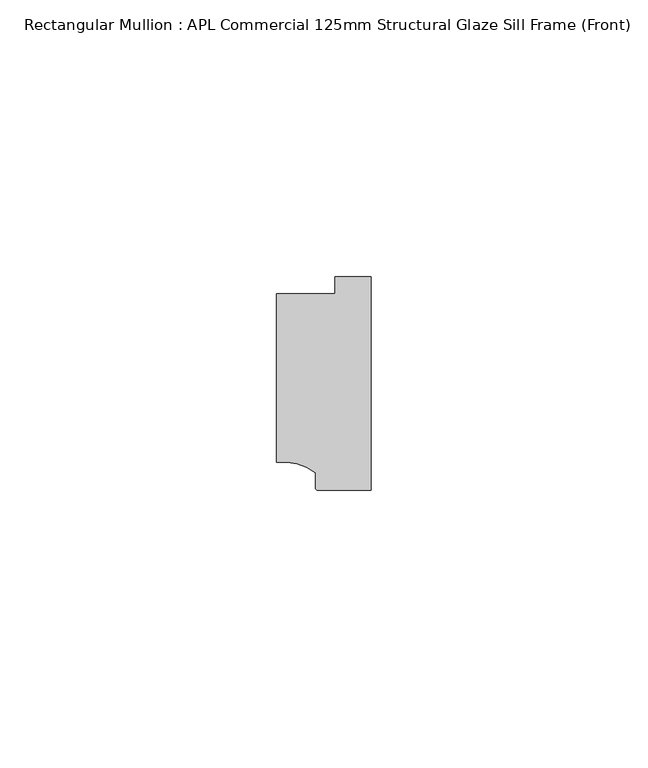
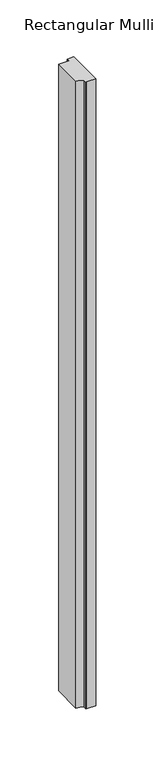
"""IFC4 building model written with IfcOpenShell, lengths in millimetres: member geometry, Rectangular Mullion : APL Commercial 125mm Structural Glaze Sill Frame (Front)."""

from ifc_helpers import new_model, si_unit, point, frame, frame_2d, origin, place, context, project, spatial, polyline, circle_curve, trimmed, segment, composite_curve, outline, extrude, source, transform, mapped, element, save


def rectangular_mullion_apl_commercial_125mm_structural_glaze_063c7c7a(model_context):
    return source(origin(), model_context, "Body", "SweptSolid", [
        extrude(outline(composite_curve([segment(polyline([(-16.999942, -15.3793144), (-16.999942, 15.0004332), (-6.5000029, 15.0004332), (-6.5000029, 18.0281616), (0.0, 18.0281616), (0.0, -20.49978), (-9.5000029, -20.49978)]), True, "CONTINUOUS"), segment(trimmed(circle_curve(frame_2d((-9.5000029, -19.99978)), 0.5), [point((-9.5000029, -20.49978))], [point((-10.0, -19.9980675))], False, "CARTESIAN"), True, "CONTINUOUS"), segment(polyline([(-10.0, -19.9980675), (-10.0, -17.3120901)]), True, "CONTINUOUS"), segment(trimmed(circle_curve(frame_2d((-16.1098048, -25.7977481)), 10.4563907), [point((-10.0, -17.3120901))], [point((-16.999942, -15.3793144))], True, "CARTESIAN"), True, "CONTINUOUS")], self_intersect=False)), frame((0.0, 0.0, -672.0251368), z_axis=(0.0, 0.0, 1.0), x_axis=(1.0, 0.0, 0.0)), (0.0, 0.0, 1.0), 672.0251368),
    ])


if __name__ == "__main__":
    model = new_model("IFC4")
    model_context = context("Model", 3, world=origin())
    ifc_project = project(units=[si_unit("LENGTHUNIT", "METRE", prefix="MILLI")], contexts=[model_context])
    site = spatial("IfcSite", under=ifc_project)
    building = spatial("IfcBuilding", under=site)
    placement = place(None, origin())
    rectangular_mullion_apl_commercial_125mm_structural_glaze_shape = rectangular_mullion_apl_commercial_125mm_structural_glaze_063c7c7a(model_context)
    element("IfcMember", 1, ObjectType="Rectangular Mullion : APL Commercial 125mm Structural Glaze Sill Frame (Front)", at=placement, inside=building, context=model_context, shape_type="MappedRepresentation", body=[
        mapped(rectangular_mullion_apl_commercial_125mm_structural_glaze_shape, transform((0.0, 0.0, 0.0), x_axis=(1.0, 0.0, 0.0), y_axis=(0.0, 1.0, 0.0), z_axis=(0.0, 0.0, 1.0))),
    ])
    save(model, "model.ifc")
